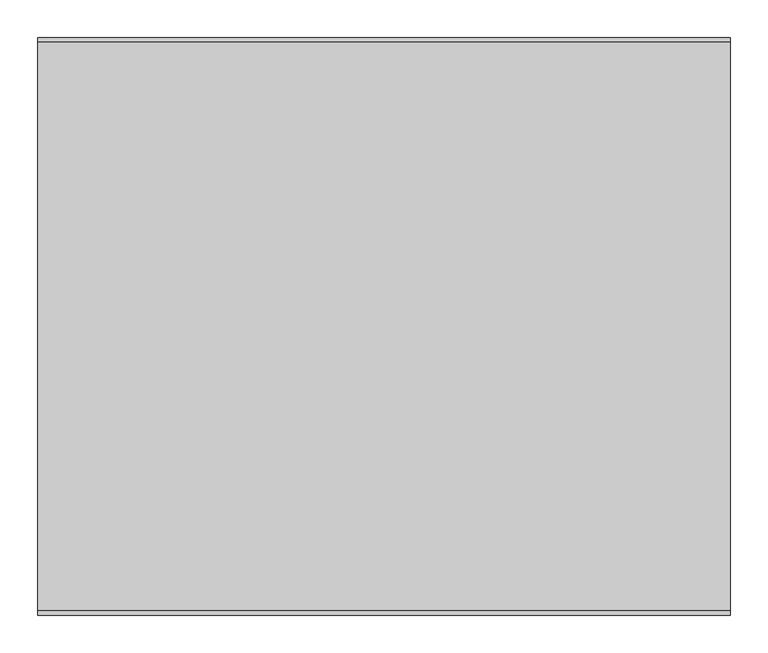
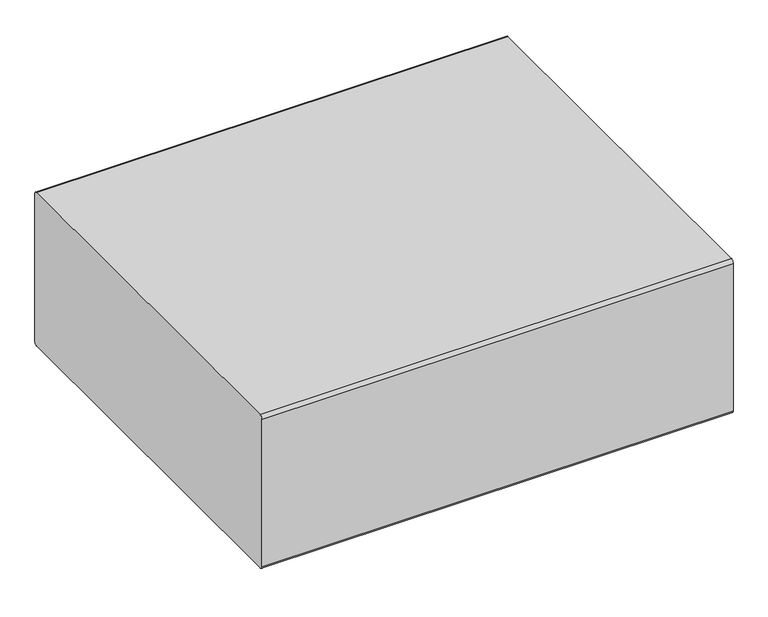
"""IFC4 building model written with IfcOpenShell, lengths in millimetres: furniture geometry."""

from ifc_helpers import new_model, si_unit, point, frame, frame_2d, origin, place, context, project, spatial, polyline, circle_curve, trimmed, segment, composite_curve, outline, extrude, faceted_brep, source, transform, mapped, element, save


def furniture_00e99730(model_context):
    return source(origin(), model_context, "Body", "SolidModel", [
        faceted_brep([(1029.437495, 327.8342493, 25.4000008), (1026.262489, 324.6592432, 25.4000008), (1026.262489, 280.2092311, 25.4000008), (1029.437495, 277.0342432, 25.4000008), (1073.887489, 277.0342432, 25.4000008), (1077.062495, 280.2092311, 25.4000008), (1077.062495, 324.6592432, 25.4000008), (1073.887489, 327.8342493, 25.4000008), (1077.062495, 331.0092372, 0.0), (1080.2374829, 327.8342493, 0.0), (1080.2374829, 277.0342432, 0.0), (1077.062495, 273.8592553, 0.0), (1026.262489, 273.8592553, 0.0), (1023.0874829, 277.0342432, 0.0), (1023.0874829, 327.8342493, 0.0), (1026.262489, 331.0092372, 0.0), (1029.437495, 327.8342493, 3.1750001), (1026.262489, 324.6592432, 3.1750001), (1026.262489, 280.2092311, 3.1750001), (1029.437495, 277.0342432, 3.1750001), (1073.887489, 277.0342432, 3.1750001), (1077.062495, 280.2092311, 3.1750001), (1077.062495, 324.6592432, 3.1750001), (1073.887489, 327.8342493, 3.1750001), (1077.062495, 331.0092372, 3.1750001), (1026.262489, 331.0092372, 3.1750001), (1023.0874829, 327.8342493, 3.1750001), (1023.0874829, 277.0342432, 3.1750001), (1026.262489, 273.8592553, 3.1750001), (1077.062495, 273.8592553, 3.1750001), (1080.2374829, 277.0342432, 3.1750001), (1080.2374829, 327.8342493, 3.1750001)], [[[0, 1, 2, 3, 4, 5, 6, 7]], [[8, 9, 10, 11, 12, 13, 14, 15]], [[1, 0, 16, 17]], [[2, 1, 17, 18]], [[3, 2, 18, 19]], [[4, 3, 19, 20]], [[5, 4, 20, 21]], [[6, 5, 21, 22]], [[7, 6, 22, 23]], [[0, 7, 23, 16]], [[24, 25, 26, 27, 28, 29, 30, 31], [17, 16, 23, 22, 21, 20, 19, 18]], [[25, 24, 8, 15]], [[26, 25, 15, 14]], [[27, 26, 14, 13]], [[28, 27, 13, 12]], [[29, 28, 12, 11]], [[30, 29, 11, 10]], [[31, 30, 10, 9]], [[24, 31, 9, 8]]]),
        faceted_brep([(261.087489, 327.8342493, 25.4000008), (257.9124829, 324.6592432, 25.4000008), (257.9124829, 280.2092311, 25.4000008), (261.087489, 277.0342432, 25.4000008), (305.5374829, 277.0342432, 25.4000008), (308.712489, 280.2092311, 25.4000008), (308.712489, 324.6592432, 25.4000008), (305.5374829, 327.8342493, 25.4000008), (308.712489, 331.0092372, 0.0), (311.8874769, 327.8342493, 0.0), (311.8874769, 277.0342432, 0.0), (308.712489, 273.8592553, 0.0), (257.9124829, 273.8592553, 0.0), (254.7374769, 277.0342432, 0.0), (254.7374769, 327.8342493, 0.0), (257.9124829, 331.0092372, 0.0), (261.087489, 327.8342493, 3.1750001), (257.9124829, 324.6592432, 3.1750001), (257.9124829, 280.2092311, 3.1750001), (261.087489, 277.0342432, 3.1750001), (305.5374829, 277.0342432, 3.1750001), (308.712489, 280.2092311, 3.1750001), (308.712489, 324.6592432, 3.1750001), (305.5374829, 327.8342493, 3.1750001), (308.712489, 331.0092372, 3.1750001), (257.9124829, 331.0092372, 3.1750001), (254.7374769, 327.8342493, 3.1750001), (254.7374769, 277.0342432, 3.1750001), (257.9124829, 273.8592553, 3.1750001), (308.712489, 273.8592553, 3.1750001), (311.8874769, 277.0342432, 3.1750001), (311.8874769, 327.8342493, 3.1750001)], [[[0, 1, 2, 3, 4, 5, 6, 7]], [[8, 9, 10, 11, 12, 13, 14, 15]], [[1, 0, 16, 17]], [[2, 1, 17, 18]], [[3, 2, 18, 19]], [[4, 3, 19, 20]], [[5, 4, 20, 21]], [[6, 5, 21, 22]], [[7, 6, 22, 23]], [[0, 7, 23, 16]], [[24, 25, 26, 27, 28, 29, 30, 31], [17, 16, 23, 22, 21, 20, 19, 18]], [[25, 24, 8, 15]], [[26, 25, 15, 14]], [[27, 26, 14, 13]], [[28, 27, 13, 12]], [[29, 28, 12, 11]], [[30, 29, 11, 10]], [[31, 30, 10, 9]], [[24, 31, 9, 8]]]),
        faceted_brep([(308.712489, -284.9407568, 3.1750001), (257.9124829, -284.9407568, 3.1750001), (254.7374769, -288.1157447, 3.1750001), (254.7374769, -338.9157507, 3.1750001), (257.9124829, -342.0907386, 3.1750001), (308.712489, -342.0907386, 3.1750001), (311.8874769, -338.9157507, 3.1750001), (311.8874769, -288.1157447, 3.1750001), (257.9124829, -291.2907507, 3.1750001), (261.087489, -288.1157447, 3.1750001), (305.5374829, -288.1157447, 3.1750001), (308.712489, -291.2907507, 3.1750001), (308.712489, -335.7407628, 3.1750001), (305.5374829, -338.9157507, 3.1750001), (261.087489, -338.9157507, 3.1750001), (257.9124829, -335.7407628, 3.1750001), (308.712489, -284.9407568, 0.0), (311.8874769, -288.1157447, 0.0), (311.8874769, -338.9157507, 0.0), (308.712489, -342.0907386, 0.0), (257.9124829, -342.0907386, 0.0), (254.7374769, -338.9157507, 0.0), (254.7374769, -288.1157447, 0.0), (257.9124829, -284.9407568, 0.0), (261.087489, -288.1157447, 25.4000008), (257.9124829, -291.2907507, 25.4000008), (257.9124829, -335.7407628, 25.4000008), (261.087489, -338.9157507, 25.4000008), (305.5374829, -338.9157507, 25.4000008), (308.712489, -335.7407628, 25.4000008), (308.712489, -291.2907507, 25.4000008), (305.5374829, -288.1157447, 25.4000008)], [[[0, 1, 2, 3, 4, 5, 6, 7], [8, 9, 10, 11, 12, 13, 14, 15]], [[16, 17, 18, 19, 20, 21, 22, 23]], [[1, 0, 16, 23]], [[2, 1, 23, 22]], [[3, 2, 22, 21]], [[4, 3, 21, 20]], [[5, 4, 20, 19]], [[6, 5, 19, 18]], [[7, 6, 18, 17]], [[0, 7, 17, 16]], [[24, 25, 26, 27, 28, 29, 30, 31]], [[25, 24, 9, 8]], [[26, 25, 8, 15]], [[27, 26, 15, 14]], [[28, 27, 14, 13]], [[29, 28, 13, 12]], [[30, 29, 12, 11]], [[31, 30, 11, 10]], [[24, 31, 10, 9]]]),
        faceted_brep([(1029.437495, -288.1157447, 25.4000008), (1026.262489, -291.2907507, 25.4000008), (1026.262489, -335.7407628, 25.4000008), (1029.437495, -338.9157507, 25.4000008), (1073.887489, -338.9157507, 25.4000008), (1077.062495, -335.7407628, 25.4000008), (1077.062495, -291.2907507, 25.4000008), (1073.887489, -288.1157447, 25.4000008), (1077.062495, -284.9407568, 0.0), (1080.2374829, -288.1157447, 0.0), (1080.2374829, -338.9157507, 0.0), (1077.062495, -342.0907386, 0.0), (1026.262489, -342.0907386, 0.0), (1023.0874829, -338.9157507, 0.0), (1023.0874829, -288.1157447, 0.0), (1026.262489, -284.9407568, 0.0), (1029.437495, -288.1157447, 3.1750001), (1026.262489, -291.2907507, 3.1750001), (1026.262489, -335.7407628, 3.1750001), (1029.437495, -338.9157507, 3.1750001), (1073.887489, -338.9157507, 3.1750001), (1077.062495, -335.7407628, 3.1750001), (1077.062495, -291.2907507, 3.1750001), (1073.887489, -288.1157447, 3.1750001), (1077.062495, -284.9407568, 3.1750001), (1026.262489, -284.9407568, 3.1750001), (1023.0874829, -288.1157447, 3.1750001), (1023.0874829, -338.9157507, 3.1750001), (1026.262489, -342.0907386, 3.1750001), (1077.062495, -342.0907386, 3.1750001), (1080.2374829, -338.9157507, 3.1750001), (1080.2374829, -288.1157447, 3.1750001)], [[[0, 1, 2, 3, 4, 5, 6, 7]], [[8, 9, 10, 11, 12, 13, 14, 15]], [[1, 0, 16, 17]], [[2, 1, 17, 18]], [[3, 2, 18, 19]], [[4, 3, 19, 20]], [[5, 4, 20, 21]], [[6, 5, 21, 22]], [[7, 6, 22, 23]], [[0, 7, 23, 16]], [[24, 25, 26, 27, 28, 29, 30, 31], [17, 16, 23, 22, 21, 20, 19, 18]], [[25, 24, 8, 15]], [[26, 25, 15, 14]], [[27, 26, 14, 13]], [[28, 27, 13, 12]], [[29, 28, 12, 11]], [[30, 29, 11, 10]], [[31, 30, 10, 9]], [[24, 31, 9, 8]]]),
        extrude(outline(composite_curve([segment(trimmed(circle_curve(frame_2d((373.7950592, 336.55)), 6.35), [point((373.7950592, 342.9))], [point((380.1450592, 336.55))], False, "CARTESIAN"), True, "CONTINUOUS"), segment(polyline([(380.1450592, 336.55), (380.1450592, 31.7500008)]), True, "CONTINUOUS"), segment(trimmed(circle_curve(frame_2d((373.7950592, 31.7500008)), 6.35), [point((380.1450592, 31.7500008))], [point((373.7950592, 25.4000008))], False, "CARTESIAN"), True, "CONTINUOUS"), segment(polyline([(373.7950592, 25.4000008), (-381.8549408, 25.4000008)]), True, "CONTINUOUS"), segment(trimmed(circle_curve(frame_2d((-381.8549408, 31.7500008)), 6.35), [point((-381.8549408, 25.4000008))], [point((-388.2049408, 31.7500008))], False, "CARTESIAN"), True, "CONTINUOUS"), segment(polyline([(-388.2049408, 31.7500008), (-388.2049408, 336.55)]), True, "CONTINUOUS"), segment(trimmed(circle_curve(frame_2d((-381.8549408, 336.55)), 6.35), [point((-388.2049408, 336.55))], [point((-381.8549408, 342.9))], False, "CARTESIAN"), True, "CONTINUOUS"), segment(polyline([(-381.8549408, 342.9), (373.7950592, 342.9)]), True, "CONTINUOUS")], self_intersect=False)), frame((206.375, 0.0, 0.0), z_axis=(1.0, 0.0, 0.0), x_axis=(0.0, 1.0, 0.0)), (0.0, 0.0, 1.0), 920.75),
    ])


if __name__ == "__main__":
    model = new_model("IFC4")
    model_context = context("Model", 3, world=origin())
    ifc_project = project(units=[si_unit("LENGTHUNIT", "METRE", prefix="MILLI")], contexts=[model_context])
    site = spatial("IfcSite", under=ifc_project)
    building = spatial("IfcBuilding", under=site)
    placement = place(None, origin())
    furniture_shape = furniture_00e99730(model_context)
    element("IfcFurniture", 1, at=placement, inside=building, context=model_context, shape_type="MappedRepresentation", body=[
        mapped(furniture_shape, transform((0.0, 0.0, 0.0), x_axis=(1.0, 0.0, 0.0), y_axis=(0.0, 1.0, 0.0), z_axis=(0.0, 0.0, 1.0))),
    ])
    save(model, "model.ifc")
